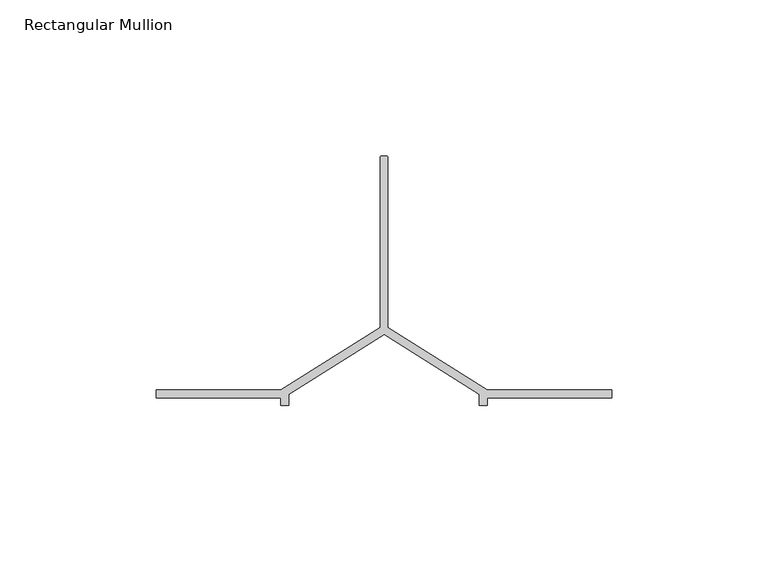
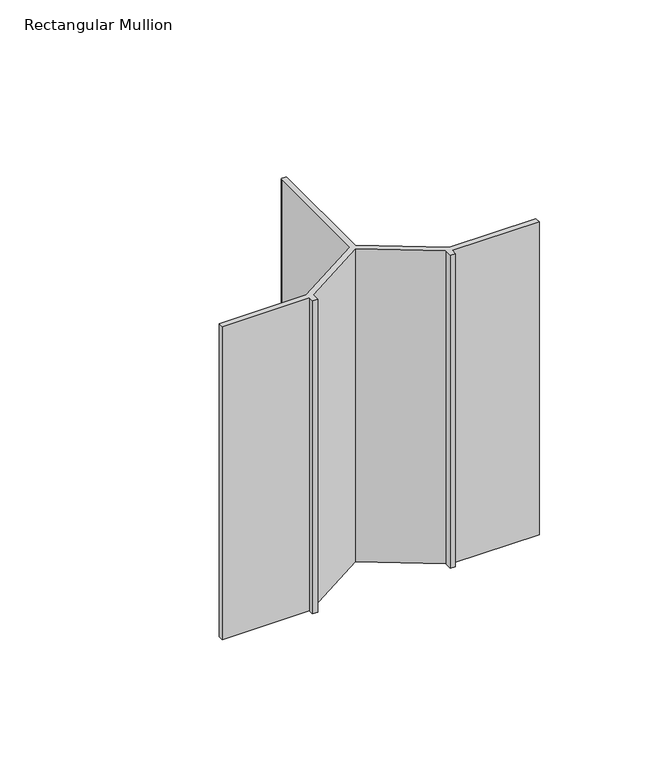
"""IFC4 building model written with IfcOpenShell, lengths in millimetres: member geometry, Rectangular Mullion."""

from ifc_helpers import new_model, si_unit, point, frame, frame_2d, origin, place, context, project, spatial, polyline, circle_curve, trimmed, segment, composite_curve, outline, extrude, source, transform, mapped, element, save


def rectangular_mullion_5d562d3e(model_context):
    return source(origin(), model_context, "Body", "SweptSolid", [
        extrude(outline(composite_curve([segment(trimmed(circle_curve(frame_2d((-72.25, -69.0)), 0.5), [point((-72.25, -68.5))], [point((-71.75, -69.0))], False, "CARTESIAN"), True, "CONTINUOUS"), segment(polyline([(-71.75, -69.0), (-71.75, -123.5), (-40.0, -143.5), (0.0, -143.5), (0.0, -146.0), (-40.0, -146.0), (-40.0, -148.5), (-42.5, -148.5), (-42.5, -144.879855), (-73.0, -125.6672566), (-103.5, -144.879855), (-103.5, -148.5), (-106.0, -148.5), (-106.0, -146.0), (-146.0, -146.0), (-146.0, -143.5), (-106.0, -143.5), (-74.25, -123.5), (-74.25, -69.0)]), True, "CONTINUOUS"), segment(trimmed(circle_curve(frame_2d((-73.75, -69.0)), 0.5), [point((-74.25, -69.0))], [point((-73.75, -68.5))], False, "CARTESIAN"), True, "CONTINUOUS"), segment(polyline([(-73.75, -68.5), (-72.25, -68.5)]), True, "CONTINUOUS")], self_intersect=False)), frame((0.0, 0.0, -152.5194954), z_axis=(0.0, 0.0, 1.0), x_axis=(1.0, 0.0, 0.0)), (0.0, 0.0, 1.0), 152.5194954),
    ])


if __name__ == "__main__":
    model = new_model("IFC4")
    model_context = context("Model", 3, world=origin())
    ifc_project = project(units=[si_unit("LENGTHUNIT", "METRE", prefix="MILLI")], contexts=[model_context])
    site = spatial("IfcSite", under=ifc_project)
    building = spatial("IfcBuilding", under=site)
    placement = place(None, origin())
    rectangular_mullion_shape = rectangular_mullion_5d562d3e(model_context)
    element("IfcMember", 1, ObjectType="Rectangular Mullion", at=placement, inside=building, context=model_context, shape_type="MappedRepresentation", body=[
        mapped(rectangular_mullion_shape, transform((0.0, 0.0, 0.0), x_axis=(1.0, 0.0, 0.0), y_axis=(0.0, 1.0, 0.0), z_axis=(0.0, 0.0, 1.0))),
    ])
    save(model, "model.ifc")
